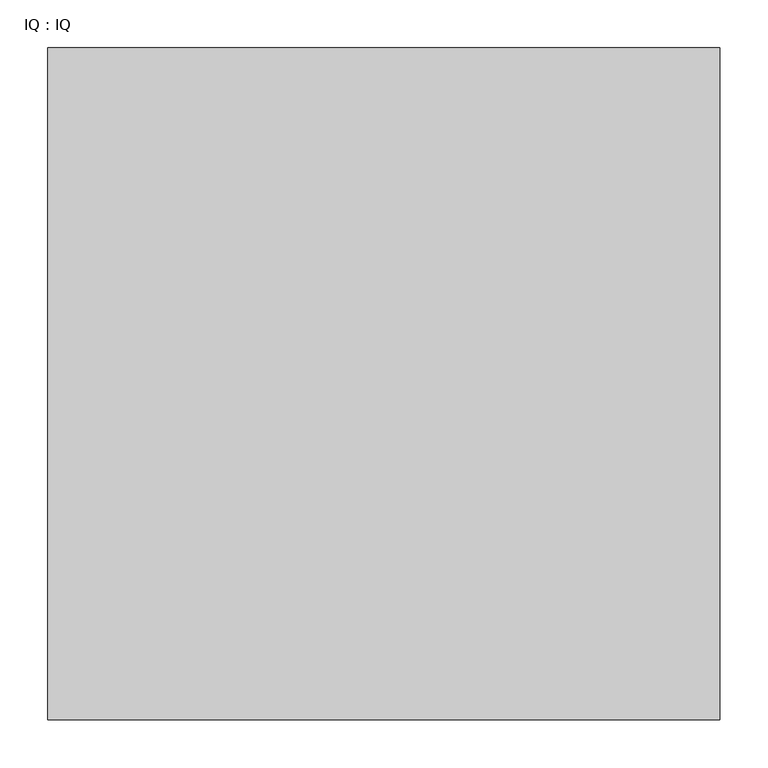
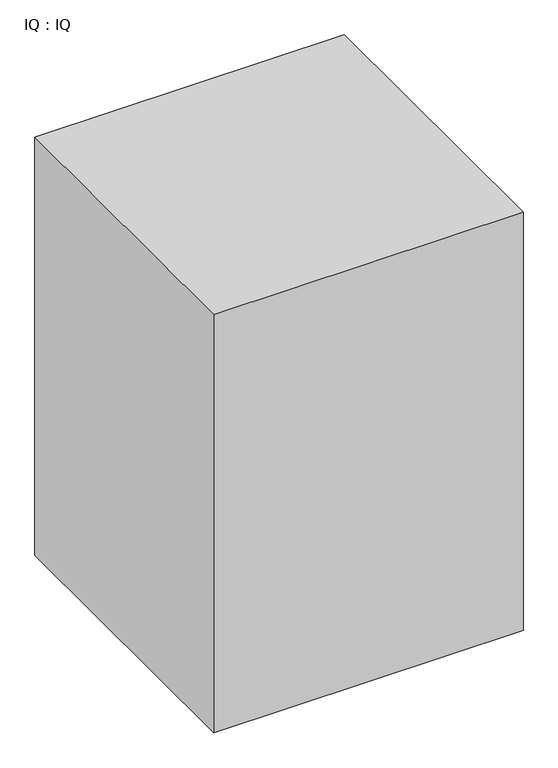
"""IFC4 building model written with IfcOpenShell, lengths in millimetres: proxy geometry, IQ : IQ."""

import ifcopenshell
import ifcopenshell.guid

model = None  # the IFC model being written
_history = None  # IfcOwnerHistory: only IFC2X3 demands one
_inside = {}  # id of a spatial element -> (the spatial element, [elements in it])
_under = {}  # id of a project, library or spatial element -> (it, [spatial elements below it])
_declared = {}  # id of a project -> (the project, [libraries it declares])
_typed = {}  # id of a type object -> (the type object, [elements of that type])
_made_of = {}  # id of a material, layer set ... -> (it, [elements and type objects made of it])


def new_model(schema):
    """Start an empty IFC model of exactly this schema.

    Asked for "IFC4X3", IfcOpenShell would pick the latest addendum, in which some entities
    have other attributes; the version numbers below select the first issue.
    IFC2X3 requires an IfcOwnerHistory on every rooted entity: one is made here for all.
    """
    global model, _history
    if schema == "IFC4X3":
        model = ifcopenshell.file(schema_version=(4, 3, 0, 0))
    else:
        model = ifcopenshell.file(schema=schema)
    _inside.clear()
    _under.clear()
    _declared.clear()
    _typed.clear()
    _made_of.clear()
    _history = None
    if model.schema == "IFC2X3":
        org = make("IfcOrganization", Name="unknown")
        user = make(
            "IfcPersonAndOrganization",
            ThePerson=make("IfcPerson", FamilyName="unknown"),
            TheOrganization=org,
        )
        app = make(
            "IfcApplication",
            ApplicationDeveloper=org,
            Version="unknown",
            ApplicationFullName="unknown",
            ApplicationIdentifier="unknown",
        )
        _history = make(
            "IfcOwnerHistory",
            OwningUser=user,
            OwningApplication=app,
            ChangeAction="ADDED",
            CreationDate=0,
        )
    return model


def make(cls, **values):
    """One entity of the class cls with the attributes given. An attribute that is None is left unset."""
    return model.create_entity(
        cls, **{name: value for name, value in values.items() if value is not None}
    )


def rooted(cls, **values):
    """An entity with a GlobalId (a new one), such as an element, a storey or a relation."""
    return make(cls, GlobalId=ifcopenshell.guid.new(), OwnerHistory=_history, **values)


def si_unit(unit_type, name, prefix=None):
    """IfcSIUnit, for example si_unit("LENGTHUNIT", "METRE", prefix="MILLI")."""
    return make("IfcSIUnit", UnitType=unit_type, Prefix=prefix, Name=name)


def assignment(units):
    """IfcUnitAssignment: the units of a project."""
    return None if units is None else make("IfcUnitAssignment", Units=units)


def point(xyz):
    """IfcCartesianPoint."""
    return None if xyz is None else make("IfcCartesianPoint", Coordinates=xyz)


def direction(xyz):
    """IfcDirection."""
    return None if xyz is None else make("IfcDirection", DirectionRatios=xyz)


def frame(location, z_axis=None, x_axis=None):
    """IfcAxis2Placement3D, a coordinate frame: its origin and axes. An axis left out is left unset."""
    return make(
        "IfcAxis2Placement3D",
        Location=point(location),
        Axis=direction(z_axis),
        RefDirection=direction(x_axis),
    )


def origin():
    """The frame at (0, 0, 0) with its axes left unset."""
    return frame((0.0, 0.0, 0.0))


def origin_with_axes():
    """The frame at (0, 0, 0) with the z axis (0, 0, 1) and the x axis (1, 0, 0) written out."""
    return frame((0.0, 0.0, 0.0), z_axis=(0.0, 0.0, 1.0), x_axis=(1.0, 0.0, 0.0))


def place(relative_to, where):
    """IfcLocalPlacement: puts the frame where relative to a parent placement (None: the world)."""
    return make(
        "IfcLocalPlacement", PlacementRelTo=relative_to, RelativePlacement=where
    )


def context(
    kind, dimensions, precision=None, world=None, true_north=None, identifier=None
):
    """IfcGeometricRepresentationContext, for example the 3D "Model" context."""
    return make(
        "IfcGeometricRepresentationContext",
        ContextIdentifier=identifier,
        ContextType=kind,
        CoordinateSpaceDimension=dimensions,
        Precision=precision,
        WorldCoordinateSystem=world,
        TrueNorth=true_north,
    )


def project(units=None, contexts=None):
    """IfcProject with its units and contexts."""
    return rooted(
        "IfcProject",
        Name="project",
        RepresentationContexts=contexts,
        UnitsInContext=assignment(units),
    )


def spatial(cls, under=None, at=None, **own):
    """A site, building, storey or space (cls), placed at a placement, below another one or the project."""
    s = rooted(cls, ObjectPlacement=at, **own)
    if under is not None:
        _under.setdefault(under.id(), (under, []))[1].append(s)
    return s


def polyline(points):
    """IfcPolyline through the points."""
    return make("IfcPolyline", Points=[point(p) for p in points])


def outline(outer, holes=None, kind="AREA"):
    """IfcArbitraryClosedProfileDef: a profile drawn as a closed curve; with holes, ...WithVoids."""
    if holes is None:
        return make("IfcArbitraryClosedProfileDef", ProfileType=kind, OuterCurve=outer)
    return make(
        "IfcArbitraryProfileDefWithVoids",
        ProfileType=kind,
        OuterCurve=outer,
        InnerCurves=holes,
    )


def extrude(swept, where, along, depth):
    """IfcExtrudedAreaSolid: the profile swept, set in the frame where, extruded along a direction by depth."""
    return make(
        "IfcExtrudedAreaSolid",
        SweptArea=swept,
        Position=where,
        ExtrudedDirection=direction(along),
        Depth=depth,
    )


def shape(context_of_items, identifier, shape_type, items):
    """IfcShapeRepresentation: the items that make up one representation, for example the "Body"."""
    return make(
        "IfcShapeRepresentation",
        ContextOfItems=context_of_items,
        RepresentationIdentifier=identifier,
        RepresentationType=shape_type,
        Items=items,
    )


def source(mapping_origin, context_of_items, identifier, shape_type, items):
    """IfcRepresentationMap: a shape defined once, which mapped items show again and again."""
    return make(
        "IfcRepresentationMap",
        MappingOrigin=mapping_origin,
        MappedRepresentation=shape(context_of_items, identifier, shape_type, items),
    )


def transform(
    local_origin,
    x_axis=None,
    y_axis=None,
    z_axis=None,
    scale=None,
    scale2=None,
    scale3=None,
    uniform=True,
):
    """IfcCartesianTransformationOperator3D, or its non-uniform kind. x_axis, y_axis, z_axis: its Axis1, 2, 3."""
    if uniform:
        return make(
            "IfcCartesianTransformationOperator3D",
            Axis1=direction(x_axis),
            Axis2=direction(y_axis),
            LocalOrigin=point(local_origin),
            Scale=scale,
            Axis3=direction(z_axis),
        )
    return make(
        "IfcCartesianTransformationOperator3DnonUniform",
        Axis1=direction(x_axis),
        Axis2=direction(y_axis),
        LocalOrigin=point(local_origin),
        Scale=scale,
        Axis3=direction(z_axis),
        Scale2=scale2,
        Scale3=scale3,
    )


def mapped(mapping_source, mapping_target):
    """IfcMappedItem: shows the shape of a source again, moved by a transform."""
    return make(
        "IfcMappedItem", MappingSource=mapping_source, MappingTarget=mapping_target
    )


def made_of(thing, what):
    """Note that an element or type object is made of a material, layer set ...; save() writes the relation."""
    if what is not None:
        _made_of.setdefault(what.id(), (what, []))[1].append(thing)
    return thing


def element(
    cls,
    number,
    at=None,
    inside=None,
    cuts=None,
    type_object=None,
    material=None,
    context=None,
    identifier="Body",
    shape_type=None,
    held_by="IfcProductDefinitionShape",
    body=None,
    shapes=None,
    **own,
):
    """One element of the class cls, such as IfcWall. Its Tag is "e" and its number.

    at: its placement. inside: the storey or other place that contains it. cuts: it is an
    opening in that element (IfcRelVoidsElement). A single representation is given by context,
    identifier, shape_type and body (its items); several are given by shapes. held_by: the class
    of the entity that holds the representations. save() writes the other relations.
    """
    e = rooted(cls, Tag="e%d" % number, ObjectPlacement=at, **own)
    if body is not None:
        shapes = [shape(context, identifier, shape_type, body)]
    if shapes is not None:
        e.Representation = make(held_by, Representations=shapes)
    if inside is not None:
        _inside.setdefault(inside.id(), (inside, []))[1].append(e)
    if cuts is not None:
        rooted(
            "IfcRelVoidsElement", RelatingBuildingElement=cuts, RelatedOpeningElement=e
        )
    if type_object is not None:
        _typed.setdefault(type_object.id(), (type_object, []))[1].append(e)
    return made_of(e, material)


def aggregate(whole, parts):
    """IfcRelAggregates: a whole, such as a stair, and the parts it consists of."""
    return rooted("IfcRelAggregates", RelatingObject=whole, RelatedObjects=parts)


def save(model, path):
    """Write the relations noted so far, then the file.

    IfcRelAggregates (storeys below a building ...), IfcRelContainedInSpatialStructure (elements
    in a storey), IfcRelDefinesByType, IfcRelAssociatesMaterial and IfcRelDeclares: one each for
    every whole, place, type object, material and project.
    """
    for whole, parts in _under.values():
        aggregate(whole, parts)
    for where, things in _inside.values():
        rooted(
            "IfcRelContainedInSpatialStructure",
            RelatedElements=things,
            RelatingStructure=where,
        )
    for kind, things in _typed.values():
        rooted("IfcRelDefinesByType", RelatedObjects=things, RelatingType=kind)
    for what, things in _made_of.values():
        rooted("IfcRelAssociatesMaterial", RelatedObjects=things, RelatingMaterial=what)
    for by, libraries in _declared.values():
        rooted("IfcRelDeclares", RelatingContext=by, RelatedDefinitions=libraries)
    model.write(path)


def iq_iq_0fbe0999(model_context):
    return source(origin(), model_context, "Body", "SweptSolid", [
        extrude(outline(polyline([(700.0, 700.0), (700.0, 0.0), (0.0, 0.0), (0.0, 700.0), (700.0, 700.0)])), origin_with_axes(), (0.0, 0.0, 1.0), 1000.0),
    ])


if __name__ == "__main__":
    model = new_model("IFC4")
    model_context = context("Model", 3, world=origin())
    ifc_project = project(units=[si_unit("LENGTHUNIT", "METRE", prefix="MILLI")], contexts=[model_context])
    site = spatial("IfcSite", under=ifc_project)
    building = spatial("IfcBuilding", under=site)
    placement = place(None, origin())
    iq_iq_shape = iq_iq_0fbe0999(model_context)
    element("IfcBuildingElementProxy", 1, Name="IQ : IQ", ObjectType="IQ : IQ", at=placement, inside=building, context=model_context, shape_type="MappedRepresentation", body=[
        mapped(iq_iq_shape, transform((0.0, 0.0, 0.0), x_axis=(1.0, 0.0, 0.0), y_axis=(0.0, 1.0, 0.0), z_axis=(0.0, 0.0, 1.0))),
    ])
    save(model, "model.ifc")
